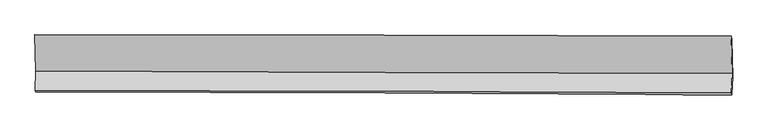
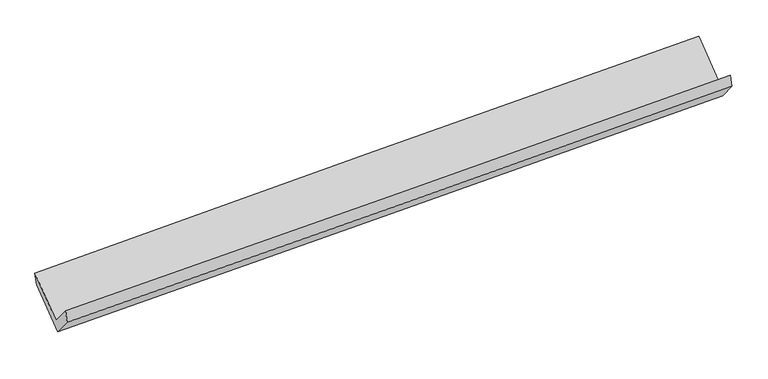
"""IFC4 building model written with IfcOpenShell, lengths in millimetres: proxy geometry."""

import ifcopenshell
import ifcopenshell.guid

model = None  # the IFC model being written
_history = None  # IfcOwnerHistory: only IFC2X3 demands one
_inside = {}  # id of a spatial element -> (the spatial element, [elements in it])
_under = {}  # id of a project, library or spatial element -> (it, [spatial elements below it])
_declared = {}  # id of a project -> (the project, [libraries it declares])
_typed = {}  # id of a type object -> (the type object, [elements of that type])
_made_of = {}  # id of a material, layer set ... -> (it, [elements and type objects made of it])


def new_model(schema):
    """Start an empty IFC model of exactly this schema.

    Asked for "IFC4X3", IfcOpenShell would pick the latest addendum, in which some entities
    have other attributes; the version numbers below select the first issue.
    IFC2X3 requires an IfcOwnerHistory on every rooted entity: one is made here for all.
    """
    global model, _history
    if schema == "IFC4X3":
        model = ifcopenshell.file(schema_version=(4, 3, 0, 0))
    else:
        model = ifcopenshell.file(schema=schema)
    _inside.clear()
    _under.clear()
    _declared.clear()
    _typed.clear()
    _made_of.clear()
    _history = None
    if model.schema == "IFC2X3":
        org = make("IfcOrganization", Name="unknown")
        user = make(
            "IfcPersonAndOrganization",
            ThePerson=make("IfcPerson", FamilyName="unknown"),
            TheOrganization=org,
        )
        app = make(
            "IfcApplication",
            ApplicationDeveloper=org,
            Version="unknown",
            ApplicationFullName="unknown",
            ApplicationIdentifier="unknown",
        )
        _history = make(
            "IfcOwnerHistory",
            OwningUser=user,
            OwningApplication=app,
            ChangeAction="ADDED",
            CreationDate=0,
        )
    return model


def make(cls, **values):
    """One entity of the class cls with the attributes given. An attribute that is None is left unset."""
    return model.create_entity(
        cls, **{name: value for name, value in values.items() if value is not None}
    )


def rooted(cls, **values):
    """An entity with a GlobalId (a new one), such as an element, a storey or a relation."""
    return make(cls, GlobalId=ifcopenshell.guid.new(), OwnerHistory=_history, **values)


def si_unit(unit_type, name, prefix=None):
    """IfcSIUnit, for example si_unit("LENGTHUNIT", "METRE", prefix="MILLI")."""
    return make("IfcSIUnit", UnitType=unit_type, Prefix=prefix, Name=name)


def assignment(units):
    """IfcUnitAssignment: the units of a project."""
    return None if units is None else make("IfcUnitAssignment", Units=units)


def point(xyz):
    """IfcCartesianPoint."""
    return None if xyz is None else make("IfcCartesianPoint", Coordinates=xyz)


def direction(xyz):
    """IfcDirection."""
    return None if xyz is None else make("IfcDirection", DirectionRatios=xyz)


def frame(location, z_axis=None, x_axis=None):
    """IfcAxis2Placement3D, a coordinate frame: its origin and axes. An axis left out is left unset."""
    return make(
        "IfcAxis2Placement3D",
        Location=point(location),
        Axis=direction(z_axis),
        RefDirection=direction(x_axis),
    )


def origin():
    """The frame at (0, 0, 0) with its axes left unset."""
    return frame((0.0, 0.0, 0.0))


def place(relative_to, where):
    """IfcLocalPlacement: puts the frame where relative to a parent placement (None: the world)."""
    return make(
        "IfcLocalPlacement", PlacementRelTo=relative_to, RelativePlacement=where
    )


def context(
    kind, dimensions, precision=None, world=None, true_north=None, identifier=None
):
    """IfcGeometricRepresentationContext, for example the 3D "Model" context."""
    return make(
        "IfcGeometricRepresentationContext",
        ContextIdentifier=identifier,
        ContextType=kind,
        CoordinateSpaceDimension=dimensions,
        Precision=precision,
        WorldCoordinateSystem=world,
        TrueNorth=true_north,
    )


def project(units=None, contexts=None):
    """IfcProject with its units and contexts."""
    return rooted(
        "IfcProject",
        Name="project",
        RepresentationContexts=contexts,
        UnitsInContext=assignment(units),
    )


def spatial(cls, under=None, at=None, **own):
    """A site, building, storey or space (cls), placed at a placement, below another one or the project."""
    s = rooted(cls, ObjectPlacement=at, **own)
    if under is not None:
        _under.setdefault(under.id(), (under, []))[1].append(s)
    return s


def shape(context_of_items, identifier, shape_type, items):
    """IfcShapeRepresentation: the items that make up one representation, for example the "Body"."""
    return make(
        "IfcShapeRepresentation",
        ContextOfItems=context_of_items,
        RepresentationIdentifier=identifier,
        RepresentationType=shape_type,
        Items=items,
    )


def source(mapping_origin, context_of_items, identifier, shape_type, items):
    """IfcRepresentationMap: a shape defined once, which mapped items show again and again."""
    return make(
        "IfcRepresentationMap",
        MappingOrigin=mapping_origin,
        MappedRepresentation=shape(context_of_items, identifier, shape_type, items),
    )


def transform(
    local_origin,
    x_axis=None,
    y_axis=None,
    z_axis=None,
    scale=None,
    scale2=None,
    scale3=None,
    uniform=True,
):
    """IfcCartesianTransformationOperator3D, or its non-uniform kind. x_axis, y_axis, z_axis: its Axis1, 2, 3."""
    if uniform:
        return make(
            "IfcCartesianTransformationOperator3D",
            Axis1=direction(x_axis),
            Axis2=direction(y_axis),
            LocalOrigin=point(local_origin),
            Scale=scale,
            Axis3=direction(z_axis),
        )
    return make(
        "IfcCartesianTransformationOperator3DnonUniform",
        Axis1=direction(x_axis),
        Axis2=direction(y_axis),
        LocalOrigin=point(local_origin),
        Scale=scale,
        Axis3=direction(z_axis),
        Scale2=scale2,
        Scale3=scale3,
    )


def mapped(mapping_source, mapping_target):
    """IfcMappedItem: shows the shape of a source again, moved by a transform."""
    return make(
        "IfcMappedItem", MappingSource=mapping_source, MappingTarget=mapping_target
    )


def made_of(thing, what):
    """Note that an element or type object is made of a material, layer set ...; save() writes the relation."""
    if what is not None:
        _made_of.setdefault(what.id(), (what, []))[1].append(thing)
    return thing


def element(
    cls,
    number,
    at=None,
    inside=None,
    cuts=None,
    type_object=None,
    material=None,
    context=None,
    identifier="Body",
    shape_type=None,
    held_by="IfcProductDefinitionShape",
    body=None,
    shapes=None,
    **own,
):
    """One element of the class cls, such as IfcWall. Its Tag is "e" and its number.

    at: its placement. inside: the storey or other place that contains it. cuts: it is an
    opening in that element (IfcRelVoidsElement). A single representation is given by context,
    identifier, shape_type and body (its items); several are given by shapes. held_by: the class
    of the entity that holds the representations. save() writes the other relations.
    """
    e = rooted(cls, Tag="e%d" % number, ObjectPlacement=at, **own)
    if body is not None:
        shapes = [shape(context, identifier, shape_type, body)]
    if shapes is not None:
        e.Representation = make(held_by, Representations=shapes)
    if inside is not None:
        _inside.setdefault(inside.id(), (inside, []))[1].append(e)
    if cuts is not None:
        rooted(
            "IfcRelVoidsElement", RelatingBuildingElement=cuts, RelatedOpeningElement=e
        )
    if type_object is not None:
        _typed.setdefault(type_object.id(), (type_object, []))[1].append(e)
    return made_of(e, material)


def aggregate(whole, parts):
    """IfcRelAggregates: a whole, such as a stair, and the parts it consists of."""
    return rooted("IfcRelAggregates", RelatingObject=whole, RelatedObjects=parts)


def save(model, path):
    """Write the relations noted so far, then the file.

    IfcRelAggregates (storeys below a building ...), IfcRelContainedInSpatialStructure (elements
    in a storey), IfcRelDefinesByType, IfcRelAssociatesMaterial and IfcRelDeclares: one each for
    every whole, place, type object, material and project.
    """
    for whole, parts in _under.values():
        aggregate(whole, parts)
    for where, things in _inside.values():
        rooted(
            "IfcRelContainedInSpatialStructure",
            RelatedElements=things,
            RelatingStructure=where,
        )
    for kind, things in _typed.values():
        rooted("IfcRelDefinesByType", RelatedObjects=things, RelatingType=kind)
    for what, things in _made_of.values():
        rooted("IfcRelAssociatesMaterial", RelatedObjects=things, RelatingMaterial=what)
    for by, libraries in _declared.values():
        rooted("IfcRelDeclares", RelatingContext=by, RelatedDefinitions=libraries)
    model.write(path)


def plane_surface(at):
    """IfcPlane: the flat surface through the origin of the frame at, square to its z axis."""
    return make("IfcPlane", Position=at)


def spline_curve(degree, points, multiplicities, knots, weights=None):
    """IfcBSplineCurveWithKnots; with weights, IfcRationalBSplineCurveWithKnots."""
    own = dict(
        Degree=degree,
        ControlPointsList=[point(p) for p in points],
        CurveForm="UNSPECIFIED",
        ClosedCurve=False,
        SelfIntersect=False,
        KnotMultiplicities=multiplicities,
        Knots=knots,
        KnotSpec="UNSPECIFIED",
    )
    if weights is None:
        return make("IfcBSplineCurveWithKnots", **own)
    return make("IfcRationalBSplineCurveWithKnots", WeightsData=weights, **own)


def spline_surface(u_degree, v_degree, points, u_multiplicities, v_multiplicities, u_knots, v_knots, weights=None):
    """IfcBSplineSurfaceWithKnots; with weights, IfcRationalBSplineSurfaceWithKnots. points: one row for each step in u."""
    own = dict(
        UDegree=u_degree,
        VDegree=v_degree,
        ControlPointsList=[[point(p) for p in row] for row in points],
        SurfaceForm="UNSPECIFIED",
        UClosed=False,
        VClosed=False,
        SelfIntersect=False,
        UMultiplicities=u_multiplicities,
        VMultiplicities=v_multiplicities,
        UKnots=u_knots,
        VKnots=v_knots,
        KnotSpec="UNSPECIFIED",
    )
    if weights is None:
        return make("IfcBSplineSurfaceWithKnots", **own)
    return make("IfcRationalBSplineSurfaceWithKnots", WeightsData=weights, **own)


def advanced_brep(points, edges, surfaces, faces):
    """IfcAdvancedBrep: a solid bounded by faces that lie on surfaces and meet in shared edges.

    An edge is (start, end): straight between two places in points (the first is 0);
    or (start, end, curve); or (start, end, curve, False) where it runs against its curve.
    A face is (place in surfaces, loops), or (place, loops, False) where it looks against
    its surface's normal. A loop lists edges by number (the first is 1), with a minus sign
    where the edge is run from its end to its start. The first loop is the outer one.
    """
    corners = [point(p) for p in points]
    vertices = [make("IfcVertexPoint", VertexGeometry=c) for c in corners]
    made = []
    for start, end, *more in edges:
        made.append(
            make(
                "IfcEdgeCurve",
                EdgeStart=vertices[start],
                EdgeEnd=vertices[end],
                EdgeGeometry=more[0] if more else make("IfcPolyline", Points=[corners[start], corners[end]]),
                SameSense=more[1] if len(more) > 1 else True,
            )
        )
    hull = []
    for where, loops, *sense in faces:
        bounds = []
        for j, loop in enumerate(loops):
            ring = [make("IfcOrientedEdge", EdgeElement=made[abs(k) - 1], Orientation=k > 0) for k in loop]
            bounds.append(
                make(
                    "IfcFaceOuterBound" if j == 0 else "IfcFaceBound",
                    Bound=make("IfcEdgeLoop", EdgeList=ring),
                    Orientation=True,
                )
            )
        hull.append(make("IfcAdvancedFace", Bounds=bounds, FaceSurface=surfaces[where], SameSense=sense[0] if sense else True))
    return make("IfcAdvancedBrep", Outer=make("IfcClosedShell", CfsFaces=hull))


def generic_models_8b0c6b99(model_context):
    return source(origin(), model_context, "Body", "AdvancedBrep", [
        advanced_brep(
        [(-4768.3334757, -1699.1131821, 1665.9216848), (-4778.9925276, -1961.2956582, 1976.4703343), (4745.6354326, -1994.4974745, 2236.0807713), (4756.2944846, -1732.3149985, 1925.5321218), (-4773.2593181, -1981.0495754, 1809.9020009), (4750.8442932, -2027.1488897, 2084.7892047), (-4763.12793, -1731.8461348, 1514.7266974), (4760.9756813, -1777.9454491, 1789.6139013), (-4777.5331176, -1237.0691614, 1931.9505577), (4746.1254563, -1267.8827129, 2219.7275792), (-4782.8766506, -1199.5967374, 2087.1421347), (4741.3062722, -1217.512791, 2359.6423893)],
        [
            (0, 1),
            (1, 2, spline_curve(3, [(-4778.9925276, -1961.2956582, 1976.4703343), (-3186.907771501, -1967.211776035, 2015.217658145), (-1594.894011529, -1972.94398435, 2056.29351131), (1579.981174053, -1984.00918086, 2142.85660735), (3162.843400407, -1989.344244173, 2188.317567221), (4745.6354326, -1994.4974745, 2236.0807713)], [4, 2, 4], [0.0, 15.674662991682531, 31.260607918275234])),
            (2, 3),
            (3, 0, spline_curve(3, [(4756.2944846, -1732.3149985, 1925.5321218), (3173.502452407, -1727.161768173, 1877.768917721), (1590.640226053, -1721.82670486, 1832.30795785), (-1584.234959529, -1710.76150835, 1745.74486181), (-3176.248719601, -1705.029299935, 1704.669008645), (-4768.3334757, -1699.1131821, 1665.9216848)], [4, 2, 4], [0.0, 15.585944926592703, 31.260607918275234])),
            (1, 4),
            (4, 5, spline_curve(3, [(-4773.2593181, -1981.0495754, 1809.9020009), (-3181.086423787, -1984.797738788, 1846.081436814), (-1589.072663697, -1990.52994784, 1887.157289834), (1585.626744081, -2005.918781424, 1978.841627866), (3168.314187521, -2015.553010809, 2029.394843118), (4750.8442932, -2027.1488897, 2084.7892047)], [4, 2, 4], [0.0, 15.674653548697052, 31.260589085751256])),
            (5, 2),
            (4, 6),
            (6, 7, spline_curve(3, [(-4763.12793, -1731.8461348, 1514.7266974), (-3171.130315813, -1739.905700275, 1556.01288216), (-1579.203947239, -1747.787492006, 1599.634862974), (1595.496452208, -1763.151923312, 1691.290296757), (3178.27128739, -1770.636569652, 1739.297384162), (4760.9756813, -1777.9454491, 1789.6139013)], [4, 2, 4], [0.0, 15.674627766341514, 31.260537666967444])),
            (7, 5),
            (6, 8),
            (8, 9, spline_curve(3, [(-4777.5331176, -1237.0691614, 1931.9505577), (-3185.75823288, -1237.478615225, 1979.687748089), (-1593.980210179, -1240.265152757, 2027.606334527), (1580.572683571, -1250.563168722, 2123.534055989), (3163.347518639, -1258.047815253, 2171.541143254), (4746.1254563, -1267.8827129, 2219.7275792)], [4, 2, 4], [0.0, 15.674473613144055, 31.260230233074438])),
            (9, 7),
            (8, 10),
            (10, 11, spline_curve(3, [(-4782.8766506, -1199.5967374, 2087.1421347), (-3191.014623777, -1197.862743415, 2132.340464226), (-1599.149209204, -1198.499698035, 2177.71292318), (1575.578469554, -1204.498478737, 2268.548306665), (3158.440696533, -1209.833542158, 2314.009266113), (4741.3062722, -1217.512791, 2359.6423893)], [4, 2, 4], [0.0, 15.674413269991494, 31.26010988830953])),
            (11, 9),
            (10, 0),
            (3, 11),
        ],
        [
            spline_surface(3, 3, [[(-4768.3334757, -1699.1131821, 1665.9216848), (-3176.248719504, -1705.029299797, 1704.669008665), (-1584.234959413, -1710.761508519, 1745.744861566), (1590.640225938, -1721.826704692, 1832.307958092), (3173.50245265, -1727.161768133, 1877.768917533), (4756.2944846, -1732.3149985, 1925.5321218)], [(-4771.886493026, -1786.507340777, 1769.437901288), (-3179.80173683, -1792.423458474, 1808.185225153), (-1587.787976739, -1798.155667196, 1849.261078055), (1587.087208612, -1809.220863369, 1935.824174581), (3169.949435325, -1814.55592681, 1981.285134022), (4752.741467274, -1819.709157177, 2029.048338288)], [(-4775.439510274, -1873.901499523, 1872.954117812), (-3183.354754079, -1879.81761722, 1911.701441677), (-1591.340994088, -1885.549825842, 1952.777294578), (1583.534191263, -1896.615022015, 2039.340391104), (3166.396417976, -1901.950085456, 2084.801350545), (4749.188449926, -1907.103315823, 2132.564554812)], [(-4778.9925276, -1961.2956582, 1976.4703343), (-3186.907771404, -1967.211775897, 2015.217658165), (-1594.894011413, -1972.943984519, 2056.293511066), (1579.981173938, -1984.009180692, 2142.856607592), (3162.84340065, -1989.344244133, 2188.317567033), (4745.6354326, -1994.4974745, 2236.0807713)]], [4, 4], [4, 2, 4], [0.0, 1.333869146555037], [0.0, 15.674662991682531, 31.260607918275234]),
            spline_surface(3, 3, [[(-4778.9925276, -1961.2956582, 1976.4703343), (-3186.907771404, -1967.211775897, 2015.217658165), (-1594.894011413, -1972.943984519, 2056.293511066), (1579.981173938, -1984.009180692, 2142.856607592), (3162.84340065, -1989.344244133, 2188.317567033), (4745.6354326, -1994.4974745, 2236.0807713)], [(-4777.081457763, -1967.880297289, 1920.9475565), (-3184.967322112, -1973.073763626, 1958.838917727), (-1592.953562121, -1978.805972247, 1999.914770628), (1581.863030606, -1991.312380959, 2088.184947712), (3164.666996326, -1998.080499724, 2135.343325693), (4747.37171946, -2005.381279562, 2185.65024912)], [(-4775.170387937, -1974.464936311, 1865.4247787), (-3183.02687283, -1978.935751287, 1902.460177287), (-1591.013112839, -1984.667960009, 1943.536030188), (1583.744887263, -1998.615581259, 2033.51328783), (3166.490592021, -2006.816755329, 2082.369084293), (4749.10800634, -2016.265084638, 2135.21972688)], [(-4773.2593181, -1981.0495754, 1809.9020009), (-3181.086423538, -1984.797739015, 1846.081436848), (-1589.072663547, -1990.529947737, 1887.15728975), (1585.626743931, -2005.918781526, 1978.84162795), (3168.314187697, -2015.553010921, 2029.394842953), (4750.8442932, -2027.1488897, 2084.7892047)]], [4, 4], [4, 2, 4], [0.0, 0.5506987554617135], [0.0, 15.674653548697052, 31.260589085751256]),
            spline_surface(3, 3, [[(-4773.2593181, -1981.0495754, 1809.9020009), (-3181.086423538, -1984.797739015, 1846.081436848), (-1589.072663547, -1990.529947737, 1887.15728975), (1585.626743931, -2005.918781526, 1978.84162795), (3168.314187697, -2015.553010921, 2029.394842953), (4750.8442932, -2027.1488897, 2084.7892047)], [(-4769.882188723, -1897.981761867, 1711.510233086), (-3177.767720968, -1903.167059414, 1749.391918583), (-1585.783091474, -1909.615795798, 1791.316480754), (1588.916646698, -1924.996495458, 1882.99118428), (3171.63322096, -1933.91419719, 1932.695690013), (4754.221422577, -1944.081076167, 1986.397436886)], [(-4766.505059377, -1814.913948333, 1613.118465214), (-3174.449018432, -1821.536379812, 1652.70240026), (-1582.493519368, -1828.701643898, 1695.475671773), (1592.206549497, -1844.074209428, 1787.140740623), (3174.95225419, -1852.275383458, 1835.996537115), (4757.598551923, -1861.013262633, 1888.005669114)], [(-4763.12793, -1731.8461348, 1514.7266974), (-3171.130315863, -1739.90570021, 1556.012881995), (-1579.203947295, -1747.787491959, 1599.634862777), (1595.496452264, -1763.151923359, 1691.290296952), (3178.271287453, -1770.636569727, 1739.297384174), (4760.9756813, -1777.9454491, 1789.6139013)]], [4, 4], [4, 2, 4], [0.0, 1.2350288584409201], [0.0, 15.674627766341514, 31.260537666967444]),
            spline_surface(3, 3, [[(-4763.12793, -1731.8461348, 1514.7266974), (-3171.130315863, -1739.90570021, 1556.012881995), (-1579.203947295, -1747.787491959, 1599.634862777), (1595.496452264, -1763.151923359, 1691.290296952), (3178.271287453, -1770.636569727, 1739.297384174), (4760.9756813, -1777.9454491, 1789.6139013)], [(-4767.929659201, -1566.920477, 1653.801317484), (-3176.006288139, -1572.430005215, 1697.237837321), (-1584.129368176, -1578.613378878, 1742.29202006), (1590.521862655, -1592.289005182, 1835.371549978), (3173.296697845, -1599.77365155, 1883.3786372), (4756.025606284, -1607.924537044, 1932.985127257)], [(-4772.731388399, -1401.9948192, 1792.875937616), (-3180.882260413, -1404.954310218, 1838.462792695), (-1589.05478911, -1409.439265765, 1884.949177273), (1585.547272994, -1421.426086972, 1979.452802934), (3168.322108283, -1428.91073334, 2027.459890255), (4751.075531316, -1437.903624956, 2076.356353243)], [(-4777.5331176, -1237.0691614, 1931.9505577), (-3185.758232689, -1237.478615223, 1979.68774802), (-1593.980209991, -1240.265152684, 2027.606334556), (1580.572683385, -1250.563168795, 2123.53405596), (3163.347518674, -1258.047815163, 2171.541143281), (4746.1254563, -1267.8827129, 2219.7275792)]], [4, 4], [4, 2, 4], [0.0, 2.189440248522506], [0.0, 15.674473613144055, 31.260230233074438]),
            spline_surface(3, 3, [[(-4777.5331176, -1237.0691614, 1931.9505577), (-3185.758232689, -1237.478615223, 1979.68774802), (-1593.980209991, -1240.265152684, 2027.606334556), (1580.572683385, -1250.563168795, 2123.53405596), (3163.347518674, -1258.047815163, 2171.541143281), (4746.1254563, -1267.8827129, 2219.7275792)], [(-4779.314295279, -1224.578353391, 1983.68108337), (-3187.510363015, -1224.273324643, 2030.57198678), (-1595.703209821, -1226.343334441, 2077.641864046), (1578.907945485, -1235.208272144, 2171.872139567), (3161.711911271, -1241.976390849, 2219.030517619), (4744.519061598, -1251.092738918, 2266.365849251)], [(-4781.095472921, -1212.087545409, 2035.41160903), (-3189.262493305, -1211.06803409, 2081.45622553), (-1597.426209579, -1212.421516186, 2127.677393555), (1577.243207658, -1219.853375479, 2220.210223192), (3160.076303875, -1225.904966582, 2266.519891903), (4742.912666902, -1234.302764982, 2313.004119249)], [(-4782.8766506, -1199.5967374, 2087.1421347), (-3191.014623631, -1197.86274351, 2132.34046429), (-1599.14920941, -1198.499697944, 2177.712923045), (1575.578469759, -1204.498478828, 2268.5483068), (3158.440696471, -1209.833542269, 2314.009266241), (4741.3062722, -1217.512791, 2359.6423893)]], [4, 4], [4, 2, 4], [0.0, 0.5054158360061656], [0.0, 15.674413269991494, 31.26010988830953]),
            spline_surface(3, 3, [[(-4782.8766506, -1199.5967374, 2087.1421347), (-3191.014623631, -1197.86274351, 2132.34046429), (-1599.14920941, -1198.499697944, 2177.712923045), (1575.578469759, -1204.498478828, 2268.5483068), (3158.440696471, -1209.833542269, 2314.009266241), (4741.3062722, -1217.512791, 2359.6423893)], [(-4778.028925609, -1366.102218976, 1946.735318072), (-3186.092655565, -1366.918262281, 1989.78331242), (-1594.177792738, -1369.253634801, 2033.723569218), (1580.599055157, -1376.941220781, 2123.134857229), (3163.46128187, -1382.276284222, 2168.59581667), (4746.302343006, -1389.113526832, 2214.938966799)], [(-4773.181200691, -1532.607700524, 1806.328501428), (-3181.170687571, -1535.973781026, 1847.226160535), (-1589.206376085, -1540.007571662, 1889.734215394), (1585.619640539, -1549.383962739, 1977.721407663), (3168.481867251, -1554.71902618, 2023.182367104), (4751.298413794, -1560.714262668, 2070.235544301)], [(-4768.3334757, -1699.1131821, 1665.9216848), (-3176.248719504, -1705.029299797, 1704.669008665), (-1584.234959413, -1710.761508519, 1745.744861566), (1590.640225938, -1721.826704692, 1832.307958092), (3173.50245265, -1727.161768133, 1877.768917533), (4756.2944846, -1732.3149985, 1925.5321218)]], [4, 4], [4, 2, 4], [0.0, 2.209785254326381], [0.0, 15.67454257879556, 31.26036777403418]),
            plane_surface(frame((4750.1969367, -1669.550386, 2102.5643279), z_axis=(0.9994085749482431, 9.992806080203268e-05, 0.03438735718697594), x_axis=(-0.03239059790759165, 0.33854525000162305, 0.9403924515161355))),
            plane_surface(frame((-4774.0205033, -1634.9950749, 1831.0189016), z_axis=(-0.999408574948238, -9.992806067466581e-05, -0.03438735718712577), x_axis=(-0.02225187227336227, 0.7642881384324731, 0.6444908809531403))),
        ],
        [
            (0, [[1, 2, 3, 4]]),
            (1, [[5, 6, 7, -2]]),
            (2, [[8, 9, 10, -6]]),
            (3, [[11, 12, 13, -9]]),
            (4, [[14, 15, 16, -12]]),
            (5, [[17, -4, 18, -15]]),
            (6, [[-16, -18, -3, -7, -10, -13]]),
            (7, [[-17, -14, -11, -8, -5, -1]]),
        ],
    ),
    ])


if __name__ == "__main__":
    model = new_model("IFC4")
    model_context = context("Model", 3, world=origin())
    ifc_project = project(units=[si_unit("LENGTHUNIT", "METRE", prefix="MILLI")], contexts=[model_context])
    site = spatial("IfcSite", under=ifc_project)
    building = spatial("IfcBuilding", under=site)
    placement = place(None, origin())
    generic_models_shape = generic_models_8b0c6b99(model_context)
    element("IfcBuildingElementProxy", 1, Name="Generic Models", at=placement, inside=building, context=model_context, shape_type="MappedRepresentation", body=[
        mapped(generic_models_shape, transform((0.0, 0.0, 0.0), x_axis=(1.0, 0.0, 0.0), y_axis=(0.0, 1.0, 0.0), z_axis=(0.0, 0.0, 1.0))),
    ])
    save(model, "model.ifc")
